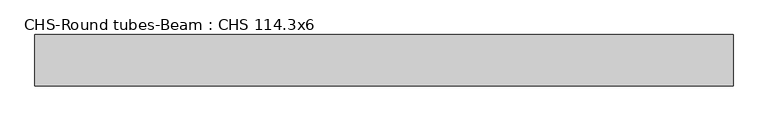
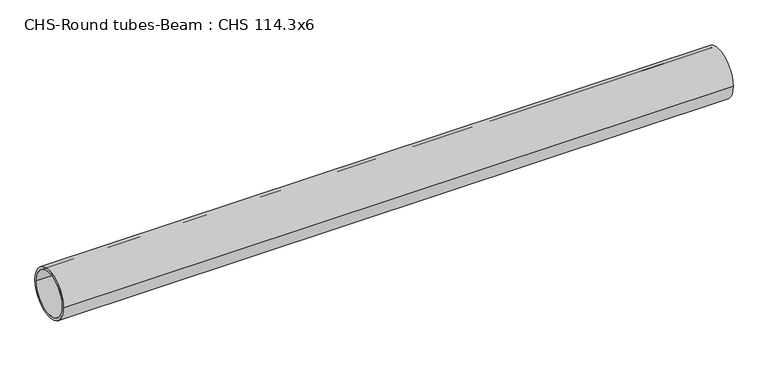
"""IFC4 building model written with IfcOpenShell, lengths in millimetres: beam geometry, CHS-Round tubes-Beam : CHS 114.3x6."""

from ifc_helpers import new_model, si_unit, point, frame, origin, origin_2d, place, context, project, spatial, circle_curve, trimmed, segment, composite_curve, outline, extrude, source, transform, mapped, element, save


def chs_round_tubes_beam_chs_114_3x6_03390371(model_context):
    return source(origin(), model_context, "Body", "SweptSolid", [
        extrude(outline(composite_curve([segment(trimmed(circle_curve(origin_2d(), 57.15), [point((57.15, 0.0))], [point((-57.15, 0.0))], False, "CARTESIAN"), True, "CONTINUOUS"), segment(trimmed(circle_curve(origin_2d(), 57.15), [point((-57.15, 0.0))], [point((57.15, 0.0))], False, "CARTESIAN"), True, "CONTINUOUS")], self_intersect=False), holes=[composite_curve([segment(trimmed(circle_curve(origin_2d(), 51.15), [point((51.15, 0.0))], [point((-51.15, 0.0))], True, "CARTESIAN"), True, "CONTINUOUS"), segment(trimmed(circle_curve(origin_2d(), 51.15), [point((-51.15, 0.0))], [point((51.15, 0.0))], True, "CARTESIAN"), True, "CONTINUOUS")], self_intersect=False)]), frame((-790.1444372, 0.0, 0.0), z_axis=(1.0, 0.0, 0.0), x_axis=(0.0, 1.0, 0.0)), (0.0, 0.0, 1.0), 1555.5978845),
    ])


if __name__ == "__main__":
    model = new_model("IFC4")
    model_context = context("Model", 3, world=origin())
    ifc_project = project(units=[si_unit("LENGTHUNIT", "METRE", prefix="MILLI")], contexts=[model_context])
    site = spatial("IfcSite", under=ifc_project)
    building = spatial("IfcBuilding", under=site)
    placement = place(None, origin())
    chs_round_tubes_beam_chs_114_3x6_shape = chs_round_tubes_beam_chs_114_3x6_03390371(model_context)
    element("IfcBeam", 1, ObjectType="CHS-Round tubes-Beam : CHS 114.3x6", at=placement, inside=building, context=model_context, shape_type="MappedRepresentation", body=[
        mapped(chs_round_tubes_beam_chs_114_3x6_shape, transform((0.0, 0.0, 0.0), x_axis=(1.0, 0.0, 0.0), y_axis=(0.0, 1.0, 0.0), z_axis=(0.0, 0.0, 1.0))),
    ])
    save(model, "model.ifc")
